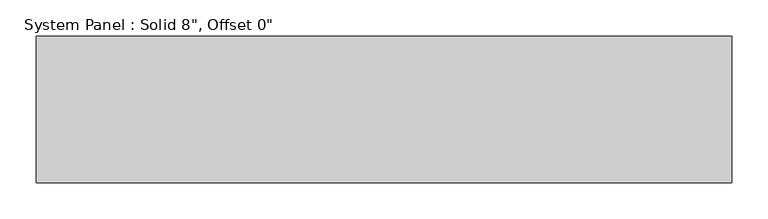
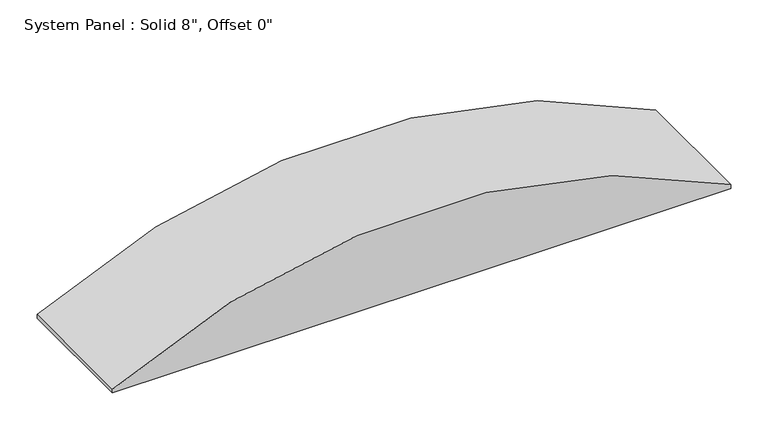
"""IFC4 building model written with IfcOpenShell, lengths in millimetres: plate geometry."""

from ifc_helpers import new_model, si_unit, point, frame, frame_2d, origin, place, context, project, spatial, polyline, circle_curve, trimmed, segment, composite_curve, outline, extrude, source, transform, mapped, element, save


def plate_551d0d52(model_context):
    return source(origin(), model_context, "Body", "SweptSolid", [
        extrude(outline(composite_curve([segment(polyline([(0.0, -482.6), (0.0, 482.6), (6.35, 482.6)]), True, "CONTINUOUS"), segment(trimmed(circle_curve(frame_2d((-858.7428274, 0.0)), 990.6), [point((6.35, 482.6))], [point((6.35, -482.6))], False, "CARTESIAN"), True, "CONTINUOUS"), segment(polyline([(6.35, -482.6), (0.0, -482.6)]), True, "CONTINUOUS")], self_intersect=False)), frame((0.0, -101.6, 0.0), z_axis=(0.0, 1.0, 0.0), x_axis=(0.0, 0.0, 1.0)), (0.0, 0.0, 1.0), 203.2),
    ])


if __name__ == "__main__":
    model = new_model("IFC4")
    model_context = context("Model", 3, world=origin())
    ifc_project = project(units=[si_unit("LENGTHUNIT", "METRE", prefix="MILLI")], contexts=[model_context])
    site = spatial("IfcSite", under=ifc_project)
    building = spatial("IfcBuilding", under=site)
    placement = place(None, origin())
    plate_shape = plate_551d0d52(model_context)
    element("IfcPlate", 1, ObjectType="System Panel : Solid 8\", Offset 0\"", at=placement, inside=building, context=model_context, shape_type="MappedRepresentation", body=[
        mapped(plate_shape, transform((0.0, 0.0, 0.0), x_axis=(1.0, 0.0, 0.0), y_axis=(0.0, 1.0, 0.0), z_axis=(0.0, 0.0, 1.0))),
    ])
    save(model, "model.ifc")
